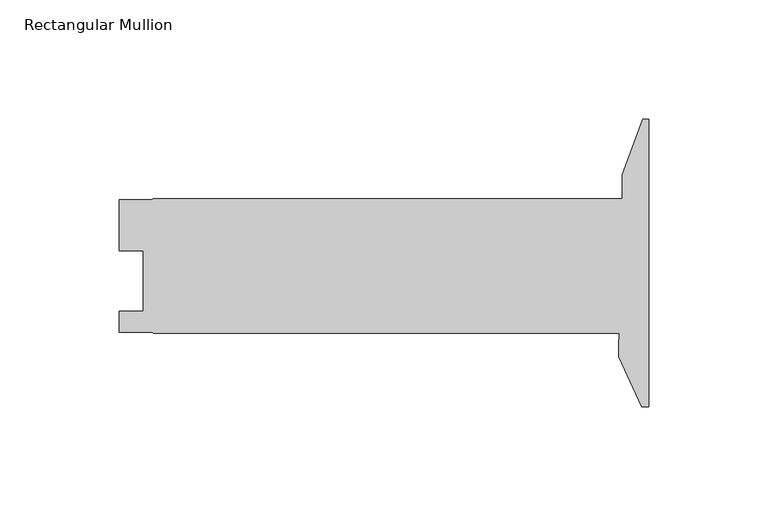
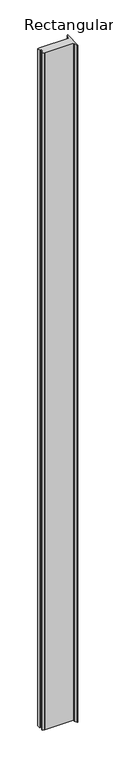
"""IFC4 building model written with IfcOpenShell, lengths in millimetres: member geometry, Rectangular Mullion."""

from ifc_helpers import new_model, si_unit, point, frame, frame_2d, origin, place, context, project, spatial, polyline, circle_curve, trimmed, segment, composite_curve, outline, extrude, source, transform, mapped, element, save


def rectangular_mullion_ace2e945(model_context):
    return source(origin(), model_context, "Body", "SweptSolid", [
        extrude(outline(composite_curve([segment(polyline([(0.0, -103.2129), (-2.8679621, -103.2129), (-12.6987193, -82.130773), (-12.6987193, -77.342873)]), True, "CONTINUOUS"), segment(trimmed(circle_curve(frame_2d((-107.9362636, -69.405373)), 95.5677442), [point((-12.6987193, -77.342873))], [point((-12.4143461, -72.3646))], True, "CARTESIAN"), True, "CONTINUOUS"), segment(polyline([(-12.4143461, -72.3646), (-207.8974784, -72.3646), (-208.5594964, -71.90105), (-222.1849784, -71.90105), (-222.1849784, -63.16345), (-212.1392784, -63.16345), (-212.1392784, -37.76345), (-222.1722782, -37.76345), (-222.1722782, -16.3321999), (-208.6893719, -16.3321999), (-207.8974784, -15.875), (-11.1239193, -15.875), (-11.1239193, -5.9626569), (-2.6070581, 17.437227), (0.0, 17.437227), (0.0, -103.2129)]), True, "CONTINUOUS")], self_intersect=False)), frame((0.0, 0.0, -4876.8), z_axis=(0.0, 0.0, 1.0), x_axis=(1.0, 0.0, 0.0)), (0.0, 0.0, 1.0), 4876.8),
    ])


if __name__ == "__main__":
    model = new_model("IFC4")
    model_context = context("Model", 3, world=origin())
    ifc_project = project(units=[si_unit("LENGTHUNIT", "METRE", prefix="MILLI")], contexts=[model_context])
    site = spatial("IfcSite", under=ifc_project)
    building = spatial("IfcBuilding", under=site)
    placement = place(None, origin())
    rectangular_mullion_shape = rectangular_mullion_ace2e945(model_context)
    element("IfcMember", 1, ObjectType="Rectangular Mullion", at=placement, inside=building, context=model_context, shape_type="MappedRepresentation", body=[
        mapped(rectangular_mullion_shape, transform((0.0, 0.0, 0.0), x_axis=(1.0, 0.0, 0.0), y_axis=(0.0, 1.0, 0.0), z_axis=(0.0, 0.0, 1.0))),
    ])
    save(model, "model.ifc")
